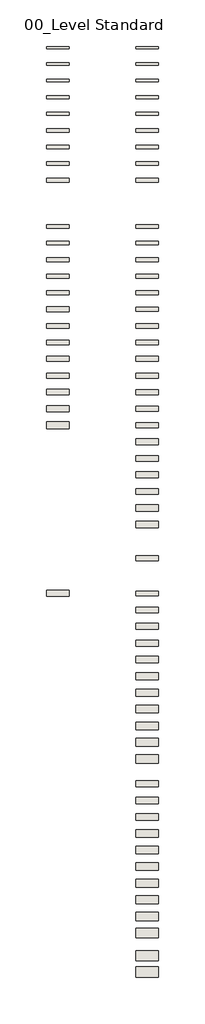
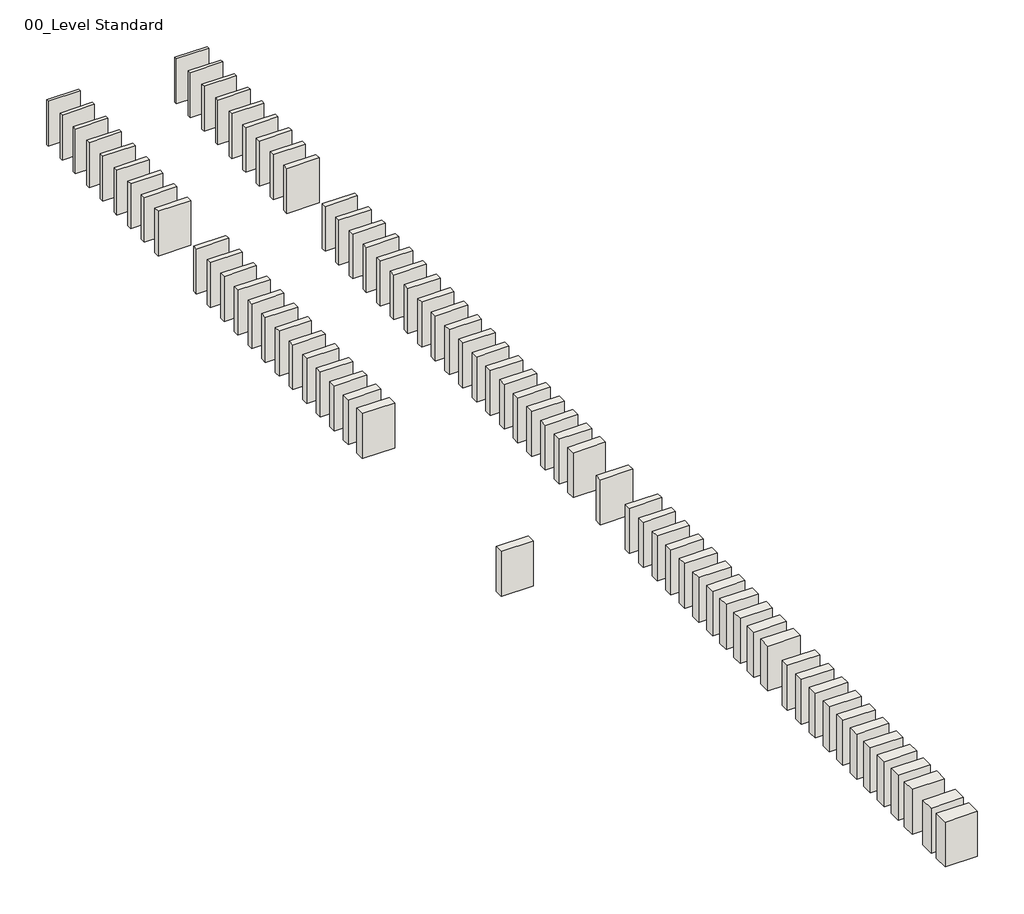
# One storey, part 1 of 3: 75 walls.
"""IFC4 building model written with IfcOpenShell, lengths in millimetres."""

from ifc_helpers import new_model, si_unit, origin, origin_with_axes, place, context, project, spatial, polyline, outline, extrude, element, save

model = new_model("IFC4")

# Units and contexts
model_context = context("Model", 3, world=origin())
ifc_project = project(units=[si_unit("LENGTHUNIT", "METRE", prefix="MILLI")], contexts=[model_context])

# Site, building, storey
site = spatial("IfcSite", under=ifc_project)
building = spatial("IfcBuilding", under=site)
storey = spatial("IfcBuildingStorey", under=building, Name="00_Level Standard", Elevation=0.0)

# Walls
placement = place(None, origin())
element("IfcWall", 1, ObjectType="060-03s-1-TL", at=placement, inside=storey, context=model_context, shape_type="SweptSolid", body=[
    extrude(outline(polyline([(1900.6286125, 13386.5708866), (1220.6286125, 13386.5708866), (1220.6286125, 13446.5708866), (1900.6286125, 13446.5708866), (1900.6286125, 13386.5708866)])), origin_with_axes(), (0.0, 0.0, 1.0), 1000.0),
])
element("IfcWall", 2, ObjectType="060-03s-1-TT", at=placement, inside=storey, context=model_context, shape_type="SweptSolid", body=[
    extrude(outline(polyline([(-799.6956864, 13386.5708866), (-1479.6956864, 13386.5708866), (-1479.6956864, 13446.5708866), (-799.6956864, 13446.5708866), (-799.6956864, 13386.5708866)])), origin_with_axes(), (0.0, 0.0, 1.0), 1000.0),
])
element("IfcWall", 3, ObjectType="070-03s-1-TL", at=placement, inside=storey, context=model_context, shape_type="SweptSolid", body=[
    extrude(outline(polyline([(1900.6286125, 12881.5708866), (1220.6286125, 12881.5708866), (1220.6286125, 12951.5708866), (1900.6286125, 12951.5708866), (1900.6286125, 12881.5708866)])), origin_with_axes(), (0.0, 0.0, 1.0), 1000.0),
])
element("IfcWall", 4, ObjectType="070-03s-1-TT", at=placement, inside=storey, context=model_context, shape_type="SweptSolid", body=[
    extrude(outline(polyline([(-799.6956864, 12881.5708866), (-1479.6956864, 12881.5708866), (-1479.6956864, 12951.5708866), (-799.6956864, 12951.5708866), (-799.6956864, 12881.5708866)])), origin_with_axes(), (0.0, 0.0, 1.0), 1000.0),
])
element("IfcWall", 5, ObjectType="080-03s-1-TL", at=placement, inside=storey, context=model_context, shape_type="SweptSolid", body=[
    extrude(outline(polyline([(1900.6286125, 12376.5708866), (1220.6286125, 12376.5708866), (1220.6286125, 12456.5708866), (1900.6286125, 12456.5708866), (1900.6286125, 12376.5708866)])), origin_with_axes(), (0.0, 0.0, 1.0), 1000.0),
])
element("IfcWall", 6, ObjectType="080-03s-1-TT", at=placement, inside=storey, context=model_context, shape_type="SweptSolid", body=[
    extrude(outline(polyline([(-809.6956864, 12376.5708866), (-1489.6956864, 12376.5708866), (-1489.6956864, 12456.5708866), (-809.6956864, 12456.5708866), (-809.6956864, 12376.5708866)])), origin_with_axes(), (0.0, 0.0, 1.0), 1000.0),
])
element("IfcWall", 7, ObjectType="080-03s-2-TL", at=placement, inside=storey, context=model_context, shape_type="SweptSolid", body=[
    extrude(outline(polyline([(1900.6286125, 11876.5708866), (1220.6286125, 11876.5708866), (1220.6286125, 11956.5708866), (1900.6286125, 11956.5708866), (1900.6286125, 11876.5708866)])), origin_with_axes(), (0.0, 0.0, 1.0), 1000.0),
])
element("IfcWall", 8, ObjectType="080-03s-2-TT", at=placement, inside=storey, context=model_context, shape_type="SweptSolid", body=[
    extrude(outline(polyline([(-809.6956864, 11876.5708866), (-1489.6956864, 11876.5708866), (-1489.6956864, 11956.5708866), (-809.6956864, 11956.5708866), (-809.6956864, 11876.5708866)])), origin_with_axes(), (0.0, 0.0, 1.0), 1000.0),
])
element("IfcWall", 9, ObjectType="090-03s-1-TL", at=placement, inside=storey, context=model_context, shape_type="SweptSolid", body=[
    extrude(outline(polyline([(1900.6286125, 11371.5708866), (1220.6286125, 11371.5708866), (1220.6286125, 11461.5708866), (1900.6286125, 11461.5708866), (1900.6286125, 11371.5708866)])), origin_with_axes(), (0.0, 0.0, 1.0), 1000.0),
])
element("IfcWall", 10, ObjectType="090-03s-1-TT", at=placement, inside=storey, context=model_context, shape_type="SweptSolid", body=[
    extrude(outline(polyline([(-809.6956864, 11371.5708866), (-1489.6956864, 11371.5708866), (-1489.6956864, 11461.5708866), (-809.6956864, 11461.5708866), (-809.6956864, 11371.5708866)])), origin_with_axes(), (0.0, 0.0, 1.0), 1000.0),
])
element("IfcWall", 11, ObjectType="100-03s-1-TL", at=placement, inside=storey, context=model_context, shape_type="SweptSolid", body=[
    extrude(outline(polyline([(1900.6286125, 10866.5708866), (1220.6286125, 10866.5708866), (1220.6286125, 10966.5708866), (1900.6286125, 10966.5708866), (1900.6286125, 10866.5708866)])), origin_with_axes(), (0.0, 0.0, 1.0), 1000.0),
])
element("IfcWall", 12, ObjectType="100-03s-1-TT", at=placement, inside=storey, context=model_context, shape_type="SweptSolid", body=[
    extrude(outline(polyline([(-809.6956864, 10862.4567229), (-1489.6956864, 10862.4567229), (-1489.6956864, 10962.4567229), (-809.6956864, 10962.4567229), (-809.6956864, 10862.4567229)])), origin_with_axes(), (0.0, 0.0, 1.0), 1000.0),
])
element("IfcWall", 13, ObjectType="100-03s-2-TL", at=placement, inside=storey, context=model_context, shape_type="SweptSolid", body=[
    extrude(outline(polyline([(1900.6286125, 10366.5708866), (1220.6286125, 10366.5708866), (1220.6286125, 10466.5708866), (1900.6286125, 10466.5708866), (1900.6286125, 10366.5708866)])), origin_with_axes(), (0.0, 0.0, 1.0), 1000.0),
])
element("IfcWall", 14, ObjectType="100-03s-2-TT", at=placement, inside=storey, context=model_context, shape_type="SweptSolid", body=[
    extrude(outline(polyline([(-809.6956864, 10366.5708866), (-1489.6956864, 10366.5708866), (-1489.6956864, 10466.5708866), (-809.6956864, 10466.5708866), (-809.6956864, 10366.5708866)])), origin_with_axes(), (0.0, 0.0, 1.0), 1000.0),
])
element("IfcWall", 15, ObjectType="100-05s-1-TL", at=placement, inside=storey, context=model_context, shape_type="SweptSolid", body=[
    extrude(outline(polyline([(1900.6286125, 7966.5708866), (1220.6286125, 7966.5708866), (1220.6286125, 8066.5708866), (1900.6286125, 8066.5708866), (1900.6286125, 7966.5708866)])), origin_with_axes(), (0.0, 0.0, 1.0), 1000.0),
])
element("IfcWall", 16, ObjectType="100-05s-1-TT", at=placement, inside=storey, context=model_context, shape_type="SweptSolid", body=[
    extrude(outline(polyline([(-809.6956864, 7966.5708866), (-1489.6956864, 7966.5708866), (-1489.6956864, 8066.5708866), (-809.6956864, 8066.5708866), (-809.6956864, 7966.5708866)])), origin_with_axes(), (0.0, 0.0, 1.0), 1000.0),
])
element("IfcWall", 17, ObjectType="110-03s-1-TL", at=placement, inside=storey, context=model_context, shape_type="SweptSolid", body=[
    extrude(outline(polyline([(1900.6286125, 9861.5708866), (1220.6286125, 9861.5708866), (1220.6286125, 9971.5708866), (1900.6286125, 9971.5708866), (1900.6286125, 9861.5708866)])), origin_with_axes(), (0.0, 0.0, 1.0), 1000.0),
])
element("IfcWall", 18, ObjectType="110-03s-1-TT", at=placement, inside=storey, context=model_context, shape_type="SweptSolid", body=[
    extrude(outline(polyline([(-809.6956864, 9861.5708866), (-1489.6956864, 9861.5708866), (-1489.6956864, 9971.5708866), (-809.6956864, 9971.5708866), (-809.6956864, 9861.5708866)])), origin_with_axes(), (0.0, 0.0, 1.0), 1000.0),
])
element("IfcWall", 19, ObjectType="110-05s-1-TL", at=placement, inside=storey, context=model_context, shape_type="SweptSolid", body=[
    extrude(outline(polyline([(1900.6286125, 7461.5708866), (1220.6286125, 7461.5708866), (1220.6286125, 7571.5708866), (1900.6286125, 7571.5708866), (1900.6286125, 7461.5708866)])), origin_with_axes(), (0.0, 0.0, 1.0), 1000.0),
])
element("IfcWall", 20, ObjectType="110-05s-1-TT", at=placement, inside=storey, context=model_context, shape_type="SweptSolid", body=[
    extrude(outline(polyline([(-809.6956864, 7461.5708866), (-1489.6956864, 7461.5708866), (-1489.6956864, 7571.5708866), (-809.6956864, 7571.5708866), (-809.6956864, 7461.5708866)])), origin_with_axes(), (0.0, 0.0, 1.0), 1000.0),
])
element("IfcWall", 21, ObjectType="120-03s-1-TL", at=placement, inside=storey, context=model_context, shape_type="SweptSolid", body=[
    extrude(outline(polyline([(1900.6286125, 9356.5708866), (1220.6286125, 9356.5708866), (1220.6286125, 9476.5708866), (1900.6286125, 9476.5708866), (1900.6286125, 9356.5708866)])), origin_with_axes(), (0.0, 0.0, 1.0), 1000.0),
])
element("IfcWall", 22, ObjectType="120-03s-1-TT", at=placement, inside=storey, context=model_context, shape_type="SweptSolid", body=[
    extrude(outline(polyline([(-809.6956864, 9356.5708866), (-1489.6956864, 9356.5708866), (-1489.6956864, 9476.5708866), (-809.6956864, 9476.5708866), (-809.6956864, 9356.5708866)])), origin_with_axes(), (0.0, 0.0, 1.0), 1000.0),
])
element("IfcWall", 23, ObjectType="120-05s-1-TL", at=placement, inside=storey, context=model_context, shape_type="SweptSolid", body=[
    extrude(outline(polyline([(1900.6286125, 6956.5708866), (1220.6286125, 6956.5708866), (1220.6286125, 7076.5708866), (1900.6286125, 7076.5708866), (1900.6286125, 6956.5708866)])), origin_with_axes(), (0.0, 0.0, 1.0), 1000.0),
])
element("IfcWall", 24, ObjectType="120-05s-1-TT", at=placement, inside=storey, context=model_context, shape_type="SweptSolid", body=[
    extrude(outline(polyline([(-809.6956864, 6956.5708866), (-1489.6956864, 6956.5708866), (-1489.6956864, 7076.5708866), (-809.6956864, 7076.5708866), (-809.6956864, 6956.5708866)])), origin_with_axes(), (0.0, 0.0, 1.0), 1000.0),
])
element("IfcWall", 25, ObjectType="120-05s-2-TL", at=placement, inside=storey, context=model_context, shape_type="SweptSolid", body=[
    extrude(outline(polyline([(1900.6286125, 6456.5708866), (1220.6286125, 6456.5708866), (1220.6286125, 6576.5708866), (1900.6286125, 6576.5708866), (1900.6286125, 6456.5708866)])), origin_with_axes(), (0.0, 0.0, 1.0), 1000.0),
])
element("IfcWall", 26, ObjectType="120-05s-2-TT", at=placement, inside=storey, context=model_context, shape_type="SweptSolid", body=[
    extrude(outline(polyline([(-809.6956864, 6456.5708866), (-1489.6956864, 6456.5708866), (-1489.6956864, 6576.5708866), (-809.6956864, 6576.5708866), (-809.6956864, 6456.5708866)])), origin_with_axes(), (0.0, 0.0, 1.0), 1000.0),
])
element("IfcWall", 27, ObjectType="130-05s-1-TL", at=placement, inside=storey, context=model_context, shape_type="SweptSolid", body=[
    extrude(outline(polyline([(1900.6286125, 5951.5708866), (1220.6286125, 5951.5708866), (1220.6286125, 6081.5708866), (1900.6286125, 6081.5708866), (1900.6286125, 5951.5708866)])), origin_with_axes(), (0.0, 0.0, 1.0), 1000.0),
])
element("IfcWall", 28, ObjectType="130-05s-1-TT", at=placement, inside=storey, context=model_context, shape_type="SweptSolid", body=[
    extrude(outline(polyline([(-809.6956864, 5951.5708866), (-1489.6956864, 5951.5708866), (-1489.6956864, 6081.5708866), (-809.6956864, 6081.5708866), (-809.6956864, 5951.5708866)])), origin_with_axes(), (0.0, 0.0, 1.0), 1000.0),
])
element("IfcWall", 29, ObjectType="130-05s-2-TL", at=placement, inside=storey, context=model_context, shape_type="SweptSolid", body=[
    extrude(outline(polyline([(1900.6286125, 5451.5708866), (1220.6286125, 5451.5708866), (1220.6286125, 5581.5708866), (1900.6286125, 5581.5708866), (1900.6286125, 5451.5708866)])), origin_with_axes(), (0.0, 0.0, 1.0), 1000.0),
])
element("IfcWall", 30, ObjectType="140-05s-1-TL", at=placement, inside=storey, context=model_context, shape_type="SweptSolid", body=[
    extrude(outline(polyline([(1900.6286125, 4946.5708866), (1220.6286125, 4946.5708866), (1220.6286125, 5086.5708866), (1900.6286125, 5086.5708866), (1900.6286125, 4946.5708866)])), origin_with_axes(), (0.0, 0.0, 1.0), 1000.0),
])
element("IfcWall", 31, ObjectType="140-05s-1-TT", at=placement, inside=storey, context=model_context, shape_type="SweptSolid", body=[
    extrude(outline(polyline([(-809.6956864, 5446.5708866), (-1489.6956864, 5446.5708866), (-1489.6956864, 5586.5708866), (-809.6956864, 5586.5708866), (-809.6956864, 5446.5708866)])), origin_with_axes(), (0.0, 0.0, 1.0), 1000.0),
])
element("IfcWall", 32, ObjectType="140-05s-2-TL", at=placement, inside=storey, context=model_context, shape_type="SweptSolid", body=[
    extrude(outline(polyline([(1900.6286125, 4446.5708866), (1220.6286125, 4446.5708866), (1220.6286125, 4586.5708866), (1900.6286125, 4586.5708866), (1900.6286125, 4446.5708866)])), origin_with_axes(), (0.0, 0.0, 1.0), 1000.0),
])
element("IfcWall", 33, ObjectType="140-05s-2-TT", at=placement, inside=storey, context=model_context, shape_type="SweptSolid", body=[
    extrude(outline(polyline([(-809.6956864, 4946.5708866), (-1489.6956864, 4946.5708866), (-1489.6956864, 5086.5708866), (-809.6956864, 5086.5708866), (-809.6956864, 4946.5708866)])), origin_with_axes(), (0.0, 0.0, 1.0), 1000.0),
])
element("IfcWall", 34, ObjectType="140-05s-3-TT", at=placement, inside=storey, context=model_context, shape_type="SweptSolid", body=[
    extrude(outline(polyline([(-809.6956864, 4446.5708866), (-1489.6956864, 4446.5708866), (-1489.6956864, 4586.5708866), (-809.6956864, 4586.5708866), (-809.6956864, 4446.5708866)])), origin_with_axes(), (0.0, 0.0, 1.0), 1000.0),
])
element("IfcWall", 35, ObjectType="140-07s-1-TL", at=placement, inside=storey, context=model_context, shape_type="SweptSolid", body=[
    extrude(outline(polyline([(1900.6286125, -3126.9138491), (1220.6286125, -3126.9138491), (1220.6286125, -2986.9138491), (1900.6286125, -2986.9138491), (1900.6286125, -3126.9138491)])), origin_with_axes(), (0.0, 0.0, 1.0), 1000.0),
])
element("IfcWall", 36, ObjectType="150-05s-1-TL", at=placement, inside=storey, context=model_context, shape_type="SweptSolid", body=[
    extrude(outline(polyline([(1900.6286125, 3941.5708866), (1220.6286125, 3941.5708866), (1220.6286125, 4091.5708866), (1900.6286125, 4091.5708866), (1900.6286125, 3941.5708866)])), origin_with_axes(), (0.0, 0.0, 1.0), 1000.0),
])
element("IfcWall", 37, ObjectType="150-05s-1-TT", at=placement, inside=storey, context=model_context, shape_type="SweptSolid", body=[
    extrude(outline(polyline([(-809.6956864, 3941.5708866), (-1489.6956864, 3941.5708866), (-1489.6956864, 4091.5708866), (-809.6956864, 4091.5708866), (-809.6956864, 3941.5708866)])), origin_with_axes(), (0.0, 0.0, 1.0), 1000.0),
])
element("IfcWall", 38, ObjectType="150-05s-2-TL", at=placement, inside=storey, context=model_context, shape_type="SweptSolid", body=[
    extrude(outline(polyline([(1900.6286125, 3441.5708866), (1220.6286125, 3441.5708866), (1220.6286125, 3591.5708866), (1900.6286125, 3591.5708866), (1900.6286125, 3441.5708866)])), origin_with_axes(), (0.0, 0.0, 1.0), 1000.0),
])
element("IfcWall", 39, ObjectType="150-05s-2-TT", at=placement, inside=storey, context=model_context, shape_type="SweptSolid", body=[
    extrude(outline(polyline([(-809.6956864, 3441.5708866), (-1489.6956864, 3441.5708866), (-1489.6956864, 3591.5708866), (-809.6956864, 3591.5708866), (-809.6956864, 3441.5708866)])), origin_with_axes(), (0.0, 0.0, 1.0), 1000.0),
])
element("IfcWall", 40, ObjectType="150-05s-3-TL", at=placement, inside=storey, context=model_context, shape_type="SweptSolid", body=[
    extrude(outline(polyline([(1900.6286125, 2941.5708866), (1220.6286125, 2941.5708866), (1220.6286125, 3091.5708866), (1900.6286125, 3091.5708866), (1900.6286125, 2941.5708866)])), origin_with_axes(), (0.0, 0.0, 1.0), 1000.0),
])
element("IfcWall", 41, ObjectType="160-05s-1-TL", at=placement, inside=storey, context=model_context, shape_type="SweptSolid", body=[
    extrude(outline(polyline([(1900.6286125, 2436.5708866), (1220.6286125, 2436.5708866), (1220.6286125, 2596.5708866), (1900.6286125, 2596.5708866), (1900.6286125, 2436.5708866)])), origin_with_axes(), (0.0, 0.0, 1.0), 1000.0),
])
element("IfcWall", 42, ObjectType="160-05s-1-TT", at=placement, inside=storey, context=model_context, shape_type="SweptSolid", body=[
    extrude(outline(polyline([(-809.6956864, 2936.5708866), (-1489.6956864, 2936.5708866), (-1489.6956864, 3096.5708866), (-809.6956864, 3096.5708866), (-809.6956864, 2936.5708866)])), origin_with_axes(), (0.0, 0.0, 1.0), 1000.0),
])
element("IfcWall", 43, ObjectType="160-05s-2-TL", at=placement, inside=storey, context=model_context, shape_type="SweptSolid", body=[
    extrude(outline(polyline([(1900.6286125, 1936.5708866), (1220.6286125, 1936.5708866), (1220.6286125, 2096.5708866), (1900.6286125, 2096.5708866), (1900.6286125, 1936.5708866)])), origin_with_axes(), (0.0, 0.0, 1.0), 1000.0),
])
element("IfcWall", 44, ObjectType="160-05ss-1-TL", at=placement, inside=storey, context=model_context, shape_type="SweptSolid", body=[
    extrude(outline(polyline([(1900.6286125, -2078.60221), (1220.6286125, -2078.60221), (1220.6286125, -1918.60221), (1900.6286125, -1918.60221), (1900.6286125, -2078.60221)])), origin_with_axes(), (0.0, 0.0, 1.0), 1000.0),
])
element("IfcWall", 45, ObjectType="160-07s-1-TL", at=placement, inside=storey, context=model_context, shape_type="SweptSolid", body=[
    extrude(outline(polyline([(1900.6286125, -3636.9138491), (1220.6286125, -3636.9138491), (1220.6286125, -3476.9138491), (1900.6286125, -3476.9138491), (1900.6286125, -3636.9138491)])), origin_with_axes(), (0.0, 0.0, 1.0), 1000.0),
])
element("IfcWall", 46, ObjectType="170-05s-1-TL", at=placement, inside=storey, context=model_context, shape_type="SweptSolid", body=[
    extrude(outline(polyline([(1900.6286125, 1431.5708866), (1220.6286125, 1431.5708866), (1220.6286125, 1601.5708866), (1900.6286125, 1601.5708866), (1900.6286125, 1431.5708866)])), origin_with_axes(), (0.0, 0.0, 1.0), 1000.0),
])
element("IfcWall", 47, ObjectType="170-05s-2-TL", at=placement, inside=storey, context=model_context, shape_type="SweptSolid", body=[
    extrude(outline(polyline([(1900.6286125, 931.5708866), (1220.6286125, 931.5708866), (1220.6286125, 1101.5708866), (1900.6286125, 1101.5708866), (1900.6286125, 931.5708866)])), origin_with_axes(), (0.0, 0.0, 1.0), 1000.0),
])
element("IfcWall", 48, ObjectType="180-05s-1-TL", at=placement, inside=storey, context=model_context, shape_type="SweptSolid", body=[
    extrude(outline(polyline([(1900.6286125, 426.5708866), (1220.6286125, 426.5708866), (1220.6286125, 606.5708866), (1900.6286125, 606.5708866), (1900.6286125, 426.5708866)])), origin_with_axes(), (0.0, 0.0, 1.0), 1000.0),
])
element("IfcWall", 49, ObjectType="180-05s-1-TT", at=placement, inside=storey, context=model_context, shape_type="SweptSolid", body=[
    extrude(outline(polyline([(-809.6956864, 2426.5708866), (-1489.6956864, 2426.5708866), (-1489.6956864, 2606.5708866), (-809.6956864, 2606.5708866), (-809.6956864, 2426.5708866)])), origin_with_axes(), (0.0, 0.0, 1.0), 1000.0),
])
element("IfcWall", 50, ObjectType="180-05s-2-TL", at=placement, inside=storey, context=model_context, shape_type="SweptSolid", body=[
    extrude(outline(polyline([(1900.6286125, -73.4291134), (1220.6286125, -73.4291134), (1220.6286125, 106.5708866), (1900.6286125, 106.5708866), (1900.6286125, -73.4291134)])), origin_with_axes(), (0.0, 0.0, 1.0), 1000.0),
])
element("IfcWall", 51, ObjectType="180-07s-1-TL", at=placement, inside=storey, context=model_context, shape_type="SweptSolid", body=[
    extrude(outline(polyline([(1900.6286125, -4146.9138491), (1220.6286125, -4146.9138491), (1220.6286125, -3966.9138491), (1900.6286125, -3966.9138491), (1900.6286125, -4146.9138491)])), origin_with_axes(), (0.0, 0.0, 1.0), 1000.0),
])
element("IfcWall", 52, ObjectType="180-07s-1-TT", at=placement, inside=storey, context=model_context, shape_type="SweptSolid", body=[
    extrude(outline(polyline([(-809.6956864, -3146.9138491), (-1489.6956864, -3146.9138491), (-1489.6956864, -2966.9138491), (-809.6956864, -2966.9138491), (-809.6956864, -3146.9138491)])), origin_with_axes(), (0.0, 0.0, 1.0), 1000.0),
])
element("IfcWall", 53, ObjectType="180-07s-2-TL", at=placement, inside=storey, context=model_context, shape_type="SweptSolid", body=[
    extrude(outline(polyline([(1900.6286125, -4646.9138491), (1220.6286125, -4646.9138491), (1220.6286125, -4466.9138491), (1900.6286125, -4466.9138491), (1900.6286125, -4646.9138491)])), origin_with_axes(), (0.0, 0.0, 1.0), 1000.0),
])
element("IfcWall", 54, ObjectType="180-07ss-1-TL", at=placement, inside=storey, context=model_context, shape_type="SweptSolid", body=[
    extrude(outline(polyline([(1900.6286125, -8896.9138491), (1220.6286125, -8896.9138491), (1220.6286125, -8716.9138491), (1900.6286125, -8716.9138491), (1900.6286125, -8896.9138491)])), origin_with_axes(), (0.0, 0.0, 1.0), 1000.0),
])
element("IfcWall", 55, ObjectType="190-05s-1-TL", at=placement, inside=storey, context=model_context, shape_type="SweptSolid", body=[
    extrude(outline(polyline([(1900.6286125, -578.4291134), (1220.6286125, -578.4291134), (1220.6286125, -388.4291134), (1900.6286125, -388.4291134), (1900.6286125, -578.4291134)])), origin_with_axes(), (0.0, 0.0, 1.0), 1000.0),
])
element("IfcWall", 56, ObjectType="200-05s-1-TL", at=placement, inside=storey, context=model_context, shape_type="SweptSolid", body=[
    extrude(outline(polyline([(1900.6286125, -1083.4291134), (1220.6286125, -1083.4291134), (1220.6286125, -883.4291134), (1900.6286125, -883.4291134), (1900.6286125, -1083.4291134)])), origin_with_axes(), (0.0, 0.0, 1.0), 1000.0),
])
element("IfcWall", 57, ObjectType="200-05s-1-TT", at=placement, inside=storey, context=model_context, shape_type="SweptSolid", body=[
    extrude(outline(polyline([(-809.6956864, 1916.5708866), (-1489.6956864, 1916.5708866), (-1489.6956864, 2116.5708866), (-809.6956864, 2116.5708866), (-809.6956864, 1916.5708866)])), origin_with_axes(), (0.0, 0.0, 1.0), 1000.0),
])
element("IfcWall", 58, ObjectType="200-07s-1-TL", at=placement, inside=storey, context=model_context, shape_type="SweptSolid", body=[
    extrude(outline(polyline([(1900.6286125, -5156.9138491), (1220.6286125, -5156.9138491), (1220.6286125, -4956.9138491), (1900.6286125, -4956.9138491), (1900.6286125, -5156.9138491)])), origin_with_axes(), (0.0, 0.0, 1.0), 1000.0),
])
element("IfcWall", 59, ObjectType="200-07ss-1-TL", at=placement, inside=storey, context=model_context, shape_type="SweptSolid", body=[
    extrude(outline(polyline([(1900.6286125, -9406.9138491), (1220.6286125, -9406.9138491), (1220.6286125, -9206.9138491), (1900.6286125, -9206.9138491), (1900.6286125, -9406.9138491)])), origin_with_axes(), (0.0, 0.0, 1.0), 1000.0),
])
element("IfcWall", 60, ObjectType="210-07s-1-TL", at=placement, inside=storey, context=model_context, shape_type="SweptSolid", body=[
    extrude(outline(polyline([(1900.6286125, -5661.9138491), (1220.6286125, -5661.9138491), (1220.6286125, -5451.9138491), (1900.6286125, -5451.9138491), (1900.6286125, -5661.9138491)])), origin_with_axes(), (0.0, 0.0, 1.0), 1000.0),
])
element("IfcWall", 61, ObjectType="210-07ss-1-TL", at=placement, inside=storey, context=model_context, shape_type="SweptSolid", body=[
    extrude(outline(polyline([(1900.6286125, -9911.9138491), (1220.6286125, -9911.9138491), (1220.6286125, -9701.9138491), (1900.6286125, -9701.9138491), (1900.6286125, -9911.9138491)])), origin_with_axes(), (0.0, 0.0, 1.0), 1000.0),
])
element("IfcWall", 62, ObjectType="220-07s-1-TL", at=placement, inside=storey, context=model_context, shape_type="SweptSolid", body=[
    extrude(outline(polyline([(1900.6286125, -6166.9138491), (1220.6286125, -6166.9138491), (1220.6286125, -5946.9138491), (1900.6286125, -5946.9138491), (1900.6286125, -6166.9138491)])), origin_with_axes(), (0.0, 0.0, 1.0), 1000.0),
])
element("IfcWall", 63, ObjectType="220-07s-2-TL", at=placement, inside=storey, context=model_context, shape_type="SweptSolid", body=[
    extrude(outline(polyline([(1900.6286125, -6658.1429858), (1220.6286125, -6658.1429858), (1220.6286125, -6438.1429858), (1900.6286125, -6438.1429858), (1900.6286125, -6658.1429858)])), origin_with_axes(), (0.0, 0.0, 1.0), 1000.0),
])
element("IfcWall", 64, at=placement, inside=storey, context=model_context, shape_type="SweptSolid", body=[
    extrude(outline(polyline([(1900.6286125, -10418.1429858), (1220.6286125, -10418.1429858), (1220.6286125, -10198.1429858), (1900.6286125, -10198.1429858), (1900.6286125, -10418.1429858)])), origin_with_axes(), (0.0, 0.0, 1.0), 1000.0),
])
element("IfcWall", 65, at=placement, inside=storey, context=model_context, shape_type="SweptSolid", body=[
    extrude(outline(polyline([(1900.6286125, -10916.9138491), (1220.6286125, -10916.9138491), (1220.6286125, -10696.9138491), (1900.6286125, -10696.9138491), (1900.6286125, -10916.9138491)])), origin_with_axes(), (0.0, 0.0, 1.0), 1000.0),
])
element("IfcWall", 66, at=placement, inside=storey, context=model_context, shape_type="SweptSolid", body=[
    extrude(outline(polyline([(1900.6286125, -7173.1429858), (1220.6286125, -7173.1429858), (1220.6286125, -6943.1429858), (1900.6286125, -6943.1429858), (1900.6286125, -7173.1429858)])), origin_with_axes(), (0.0, 0.0, 1.0), 1000.0),
])
element("IfcWall", 67, at=placement, inside=storey, context=model_context, shape_type="SweptSolid", body=[
    extrude(outline(polyline([(1900.6286125, -11421.9138491), (1220.6286125, -11421.9138491), (1220.6286125, -11191.9138491), (1900.6286125, -11191.9138491), (1900.6286125, -11421.9138491)])), origin_with_axes(), (0.0, 0.0, 1.0), 1000.0),
])
element("IfcWall", 68, at=placement, inside=storey, context=model_context, shape_type="SweptSolid", body=[
    extrude(outline(polyline([(1900.6286125, -7676.9138491), (1220.6286125, -7676.9138491), (1220.6286125, -7436.9138491), (1900.6286125, -7436.9138491), (1900.6286125, -7676.9138491)])), origin_with_axes(), (0.0, 0.0, 1.0), 1000.0),
])
element("IfcWall", 69, at=placement, inside=storey, context=model_context, shape_type="SweptSolid", body=[
    extrude(outline(polyline([(1900.6286125, -11926.9138491), (1220.6286125, -11926.9138491), (1220.6286125, -11686.9138491), (1900.6286125, -11686.9138491), (1900.6286125, -11926.9138491)])), origin_with_axes(), (0.0, 0.0, 1.0), 1000.0),
])
element("IfcWall", 70, at=placement, inside=storey, context=model_context, shape_type="SweptSolid", body=[
    extrude(outline(polyline([(1900.6286125, -12431.9138491), (1220.6286125, -12431.9138491), (1220.6286125, -12181.9138491), (1900.6286125, -12181.9138491), (1900.6286125, -12431.9138491)])), origin_with_axes(), (0.0, 0.0, 1.0), 1000.0),
])
element("IfcWall", 71, at=placement, inside=storey, context=model_context, shape_type="SweptSolid", body=[
    extrude(outline(polyline([(1900.6286125, -8186.9138491), (1220.6286125, -8186.9138491), (1220.6286125, -7926.9138491), (1900.6286125, -7926.9138491), (1900.6286125, -8186.9138491)])), origin_with_axes(), (0.0, 0.0, 1.0), 1000.0),
])
element("IfcWall", 72, at=placement, inside=storey, context=model_context, shape_type="SweptSolid", body=[
    extrude(outline(polyline([(1900.6286125, -12936.9138491), (1220.6286125, -12936.9138491), (1220.6286125, -12676.9138491), (1900.6286125, -12676.9138491), (1900.6286125, -12936.9138491)])), origin_with_axes(), (0.0, 0.0, 1.0), 1000.0),
])
element("IfcWall", 73, at=placement, inside=storey, context=model_context, shape_type="SweptSolid", body=[
    extrude(outline(polyline([(1900.6286125, -13446.9138491), (1220.6286125, -13446.9138491), (1220.6286125, -13166.9138491), (1900.6286125, -13166.9138491), (1900.6286125, -13446.9138491)])), origin_with_axes(), (0.0, 0.0, 1.0), 1000.0),
])
element("IfcWall", 74, at=placement, inside=storey, context=model_context, shape_type="SweptSolid", body=[
    extrude(outline(polyline([(1900.6286125, -14140.1558839), (1220.6286125, -14140.1558839), (1220.6286125, -13840.1558839), (1900.6286125, -13840.1558839), (1900.6286125, -14140.1558839)])), origin_with_axes(), (0.0, 0.0, 1.0), 1000.0),
])
element("IfcWall", 75, at=placement, inside=storey, context=model_context, shape_type="SweptSolid", body=[
    extrude(outline(polyline([(1900.6286125, -14650.1558839), (1220.6286125, -14650.1558839), (1220.6286125, -14330.1558839), (1900.6286125, -14330.1558839), (1900.6286125, -14650.1558839)])), origin_with_axes(), (0.0, 0.0, 1.0), 1000.0),
])

save(model, "model.ifc")
